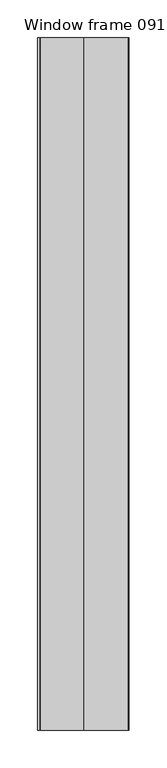
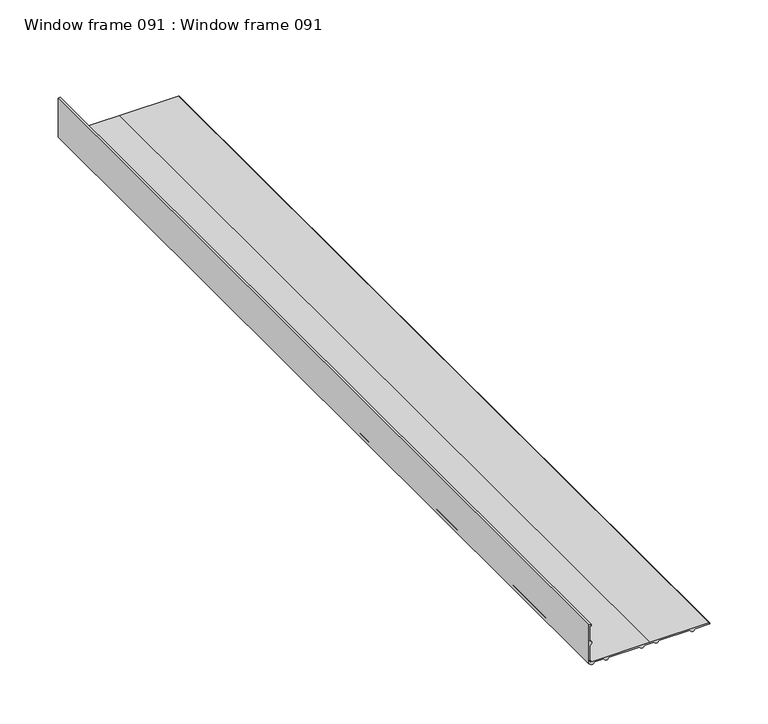
"""IFC4 building model written with IfcOpenShell, lengths in millimetres: proxy geometry, Window frame 091 : Window frame 091."""

from ifc_helpers import new_model, si_unit, point, frame, frame_2d, origin, place, context, project, spatial, polyline, circle_curve, trimmed, segment, composite_curve, outline, extrude, source, transform, mapped, element, save


def window_frame_091_window_frame_091_60710d95(model_context):
    return source(origin(), model_context, "Body", "SweptSolid", [
        extrude(outline(composite_curve([segment(polyline([(1335.3796, 37554.1450743), (1333.4746, 37556.0500743), (1333.4746, 37557.6248743), (1335.3796, 37559.5298743), (1335.3796, 37589.8574743), (1333.4746, 37591.7624743), (1333.4746, 37593.3372743), (1335.3796, 37595.2422743), (1335.3796, 37604.1322743), (1333.4746, 37606.0372743), (1333.4746, 37607.6120743), (1335.3796, 37609.5170743), (1335.3796, 37639.8446743), (1333.4746, 37641.7496743), (1333.4746, 37643.3244743), (1335.3796, 37645.2294743), (1335.3796, 37660.0376743)]), True, "CONTINUOUS"), segment(trimmed(circle_curve(frame_2d((1335.3796, 37658.7676743)), 1.27), [point((1335.3796, 37660.0376743))], [point((1336.6496, 37658.7676743))], False, "CARTESIAN"), True, "CONTINUOUS"), segment(polyline([(1336.6496, 37658.7676743), (1336.6496, 37600.0936743), (1336.6496, 37542.2324743)]), True, "CONTINUOUS"), segment(trimmed(circle_curve(frame_2d((1338.2244, 37542.2324743)), 1.5748), [point((1336.6496, 37542.2324743))], [point((1338.2244, 37540.6576743))], True, "CARTESIAN"), True, "CONTINUOUS"), segment(polyline([(1338.2244, 37540.6576743), (1353.7946, 37540.6576743), (1355.6996, 37542.5626743), (1357.2744, 37542.5626743), (1359.1794, 37540.6576743), (1374.7496, 37540.6576743), (1374.7496, 37541.7752743), (1376.3244, 37541.7752743), (1376.3244, 37539.3876743), (1335.3796, 37539.3876743), (1333.4746, 37541.7752743), (1333.4746, 37543.3500743), (1335.3796, 37545.2550743), (1335.3796, 37554.1450743)]), True, "CONTINUOUS")], self_intersect=False)), frame((0.0, -19576.8329893, 0.0), z_axis=(0.0, 1.0, 0.0), x_axis=(0.0, 0.0, 1.0)), (0.0, 0.0, 1.0), 914.4),
    ])


if __name__ == "__main__":
    model = new_model("IFC4")
    model_context = context("Model", 3, world=origin())
    ifc_project = project(units=[si_unit("LENGTHUNIT", "METRE", prefix="MILLI")], contexts=[model_context])
    site = spatial("IfcSite", under=ifc_project)
    building = spatial("IfcBuilding", under=site)
    placement = place(None, origin())
    window_frame_091_window_frame_091_shape = window_frame_091_window_frame_091_60710d95(model_context)
    element("IfcBuildingElementProxy", 1, Name="Window frame 091 : Window frame 091", ObjectType="Window frame 091 : Window frame 091", at=placement, inside=building, context=model_context, shape_type="MappedRepresentation", body=[
        mapped(window_frame_091_window_frame_091_shape, transform((0.0, 0.0, 0.0), x_axis=(1.0, 0.0, 0.0), y_axis=(0.0, 1.0, 0.0), z_axis=(0.0, 0.0, 1.0))),
    ])
    save(model, "model.ifc")
